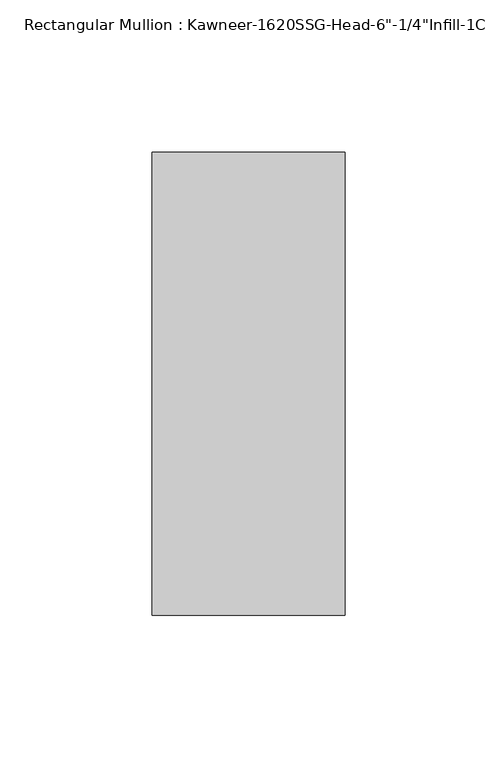
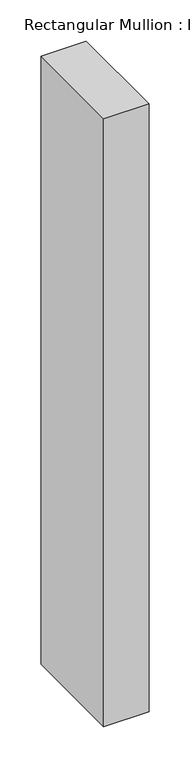
"""IFC4 building model written with IfcOpenShell, lengths in millimetres: member geometry."""

from ifc_helpers import new_model, si_unit, frame, origin, place, context, project, spatial, polyline, outline, extrude, source, transform, mapped, element, save


def member_23dde9cd(model_context):
    return source(origin(), model_context, "Body", "SweptSolid", [
        extrude(outline(polyline([(-22.225, 28.575), (41.275, 28.575), (41.275, -123.825), (-22.225, -123.825), (-22.225, 28.575)])), frame((0.0, 0.0, -901.5760494), z_axis=(0.0, 0.0, 1.0), x_axis=(1.0, 0.0, 0.0)), (0.0, 0.0, 1.0), 901.5760494),
    ])


if __name__ == "__main__":
    model = new_model("IFC4")
    model_context = context("Model", 3, world=origin())
    ifc_project = project(units=[si_unit("LENGTHUNIT", "METRE", prefix="MILLI")], contexts=[model_context])
    site = spatial("IfcSite", under=ifc_project)
    building = spatial("IfcBuilding", under=site)
    placement = place(None, origin())
    member_shape = member_23dde9cd(model_context)
    element("IfcMember", 1, ObjectType="Rectangular Mullion : Kawneer-1620SSG-Head-6\"-1/4\"Infill-1C", at=placement, inside=building, context=model_context, shape_type="MappedRepresentation", body=[
        mapped(member_shape, transform((0.0, 0.0, 0.0), x_axis=(1.0, 0.0, 0.0), y_axis=(0.0, 1.0, 0.0), z_axis=(0.0, 0.0, 1.0))),
    ])
    save(model, "model.ifc")
